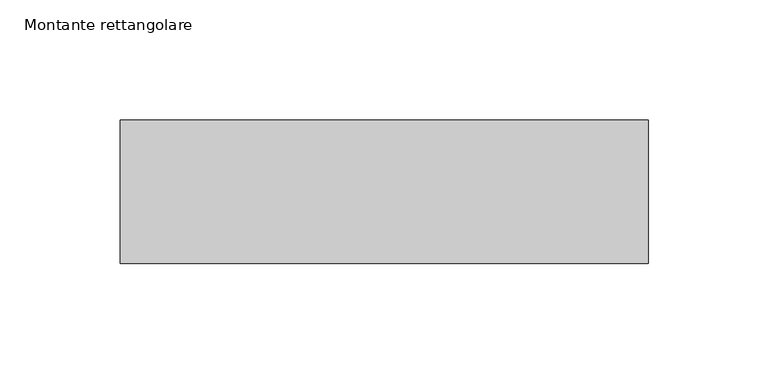
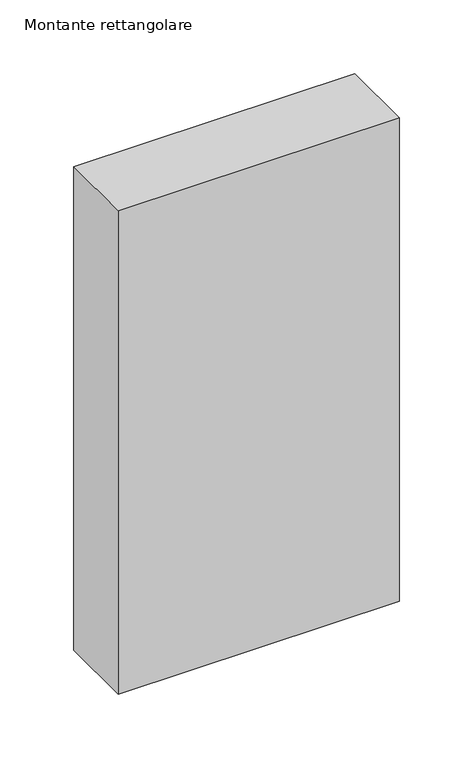
"""IFC4 building model written with IfcOpenShell, lengths in millimetres: member geometry, Montante rettangolare."""

from ifc_helpers import new_model, si_unit, frame, origin, place, context, project, spatial, polyline, outline, extrude, source, transform, mapped, element, save


def montante_rettangolare_7a2b359e(model_context):
    return source(origin(), model_context, "Body", "SweptSolid", [
        extrude(outline(polyline([(110.0, 30.0), (110.0, -30.0), (-110.0, -30.0), (-110.0, 30.0), (110.0, 30.0)])), frame((0.0, 0.0, -400.0), z_axis=(0.0, 0.0, 1.0), x_axis=(1.0, 0.0, 0.0)), (0.0, 0.0, 1.0), 400.0),
    ])


if __name__ == "__main__":
    model = new_model("IFC4")
    model_context = context("Model", 3, world=origin())
    ifc_project = project(units=[si_unit("LENGTHUNIT", "METRE", prefix="MILLI")], contexts=[model_context])
    site = spatial("IfcSite", under=ifc_project)
    building = spatial("IfcBuilding", under=site)
    placement = place(None, origin())
    montante_rettangolare_shape = montante_rettangolare_7a2b359e(model_context)
    element("IfcMember", 1, ObjectType="Montante rettangolare", at=placement, inside=building, context=model_context, shape_type="MappedRepresentation", body=[
        mapped(montante_rettangolare_shape, transform((0.0, 0.0, 0.0), x_axis=(1.0, 0.0, 0.0), y_axis=(0.0, 1.0, 0.0), z_axis=(0.0, 0.0, 1.0))),
    ])
    save(model, "model.ifc")
